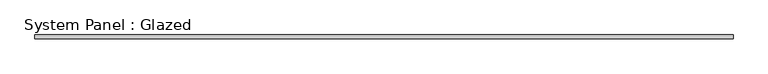
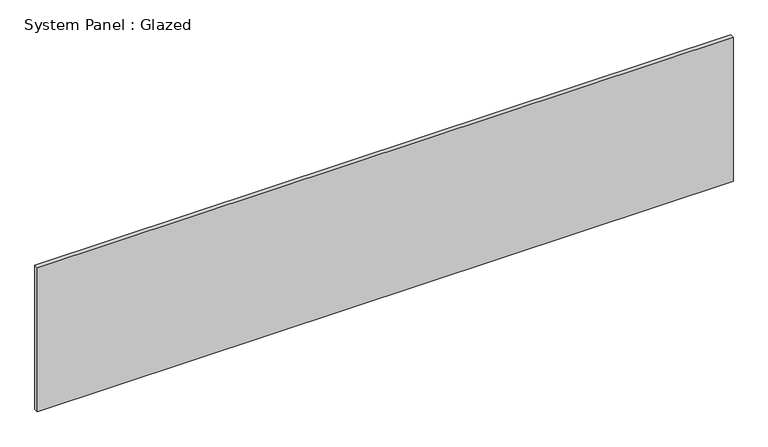
"""IFC4 building model written with IfcOpenShell, lengths in millimetres: plate geometry, System Panel : Glazed."""

from ifc_helpers import new_model, si_unit, origin, origin_with_axes, place, context, project, spatial, polyline, outline, extrude, source, transform, mapped, element, save


def system_panel_glazed_739dd689(model_context):
    return source(origin(), model_context, "Body", "SweptSolid", [
        extrude(outline(polyline([(1117.0368348, 25.4), (-1117.0368348, 25.4), (-1117.0368348, 38.1), (1117.0368348, 38.1), (1117.0368348, 25.4)])), origin_with_axes(), (0.0, 0.0, 1.0), 488.95),
    ])


if __name__ == "__main__":
    model = new_model("IFC4")
    model_context = context("Model", 3, world=origin())
    ifc_project = project(units=[si_unit("LENGTHUNIT", "METRE", prefix="MILLI")], contexts=[model_context])
    site = spatial("IfcSite", under=ifc_project)
    building = spatial("IfcBuilding", under=site)
    placement = place(None, origin())
    system_panel_glazed_shape = system_panel_glazed_739dd689(model_context)
    element("IfcPlate", 1, ObjectType="System Panel : Glazed", at=placement, inside=building, context=model_context, shape_type="MappedRepresentation", body=[
        mapped(system_panel_glazed_shape, transform((0.0, 0.0, 0.0), x_axis=(1.0, 0.0, 0.0), y_axis=(0.0, 1.0, 0.0), z_axis=(0.0, 0.0, 1.0))),
    ])
    save(model, "model.ifc")
